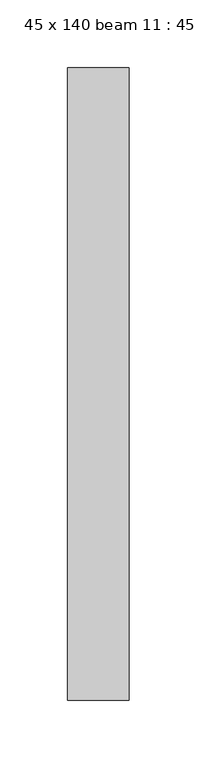
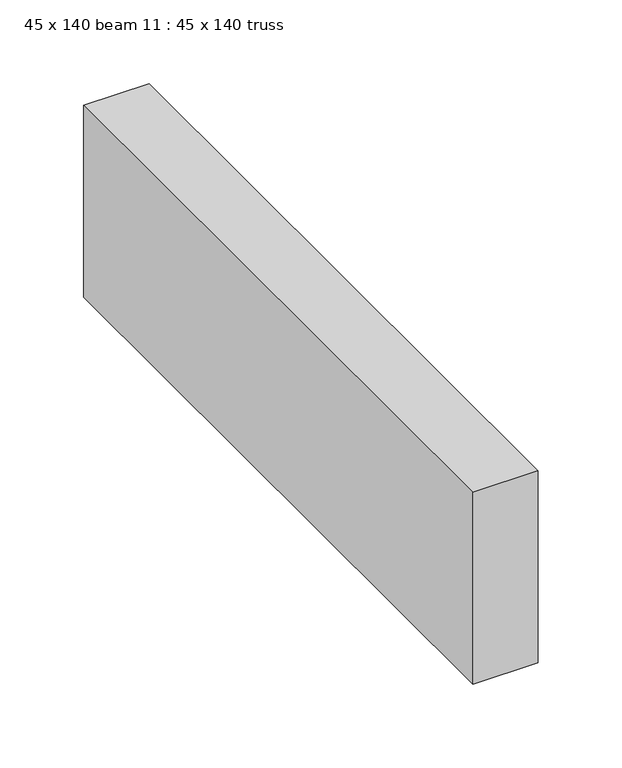
"""IFC4 building model written with IfcOpenShell, lengths in millimetres: proxy geometry, 45 x 140 beam 11 : 45 x 140 truss."""

from ifc_helpers import new_model, si_unit, frame, origin, place, context, project, spatial, polyline, outline, extrude, source, transform, mapped, element, save


def proxy_45_x_140_beam_11_45_x_140_truss_25728bf1(model_context):
    return source(origin(), model_context, "Body", "SweptSolid", [
        extrude(outline(polyline([(22192.753812, -12498.4415087), (22237.753812, -12498.4415087), (22237.753812, -12963.4415087), (22192.753812, -12963.4415087), (22192.753812, -12498.4415087)])), frame((0.0, 0.0, 3644.2452806), z_axis=(0.0, 0.0, 1.0), x_axis=(1.0, 0.0, 0.0)), (0.0, 0.0, 1.0), 140.0),
    ])


if __name__ == "__main__":
    model = new_model("IFC4")
    model_context = context("Model", 3, world=origin())
    ifc_project = project(units=[si_unit("LENGTHUNIT", "METRE", prefix="MILLI")], contexts=[model_context])
    site = spatial("IfcSite", under=ifc_project)
    building = spatial("IfcBuilding", under=site)
    placement = place(None, origin())
    proxy_45_x_140_beam_11_45_x_140_truss_shape = proxy_45_x_140_beam_11_45_x_140_truss_25728bf1(model_context)
    element("IfcBuildingElementProxy", 1, Name="45 x 140 beam 11 : 45 x 140 truss", ObjectType="45 x 140 beam 11 : 45 x 140 truss", at=placement, inside=building, context=model_context, shape_type="MappedRepresentation", body=[
        mapped(proxy_45_x_140_beam_11_45_x_140_truss_shape, transform((0.0, 0.0, 0.0), x_axis=(1.0, 0.0, 0.0), y_axis=(0.0, 1.0, 0.0), z_axis=(0.0, 0.0, 1.0))),
    ])
    save(model, "model.ifc")
